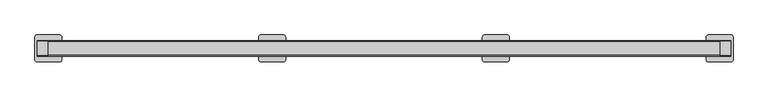
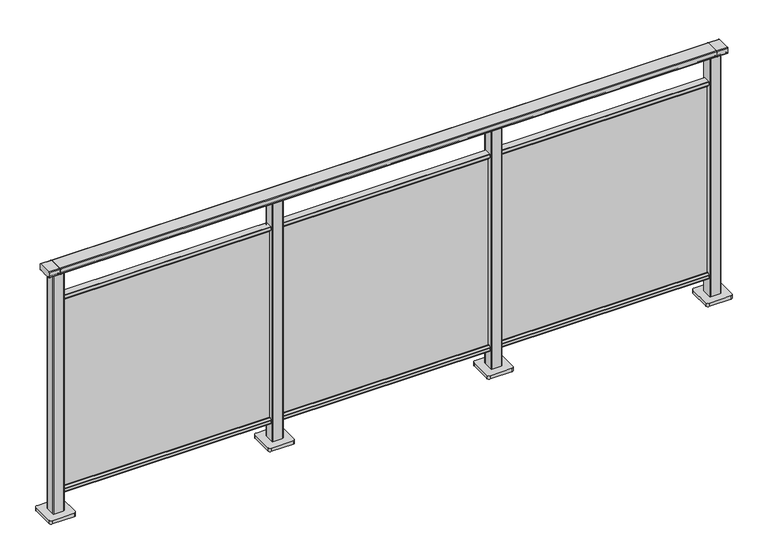
"""IFC4 building model written with IfcOpenShell, lengths in millimetres: railing geometry."""

from ifc_helpers import new_model, si_unit, point, frame, frame_2d, origin, origin_with_axes, place, context, project, spatial, polyline, circle_curve, trimmed, segment, composite_curve, outline, extrude, source, transform, mapped, element, save


def railing_db009f2a(model_context):
    return source(origin(), model_context, "Body", "SweptSolid", [
        extrude(outline(composite_curve([segment(trimmed(circle_curve(frame_2d((9717.8460333, 1197.0)), 3.0), [point((9717.8460333, 1200.0))], [point((9720.8460333, 1197.0))], False, "CARTESIAN"), True, "CONTINUOUS"), segment(polyline([(9720.8460333, 1197.0), (9720.8460333, 1174.8)]), True, "CONTINUOUS"), segment(trimmed(circle_curve(frame_2d((9717.8460333, 1174.8)), 3.0), [point((9720.8460333, 1174.8))], [point((9717.8460333, 1171.8))], False, "CARTESIAN"), True, "CONTINUOUS"), segment(polyline([(9717.8460333, 1171.8), (9712.9961193, 1171.8)]), True, "CONTINUOUS"), segment(trimmed(circle_curve(frame_2d((9712.9961193, 1172.7286632)), 0.9286632), [point((9712.9961193, 1171.8))], [point((9712.0960471, 1172.5000033))], False, "CARTESIAN"), True, "CONTINUOUS"), segment(trimmed(circle_curve(frame_2d((9711.5960471, 1172.5000003)), 0.5), [point((9712.0960471, 1172.5000033))], [point((9711.5960471, 1172.0000003))], False, "CARTESIAN"), True, "CONTINUOUS"), segment(polyline([(9711.5960471, 1172.0000003), (9694.5751393, 1172.0000003)]), True, "CONTINUOUS"), segment(trimmed(circle_curve(frame_2d((9685.8508208, 1188.8785723)), 18.999998), [point((9694.5751393, 1172.0000003))], [point((9677.1265024, 1172.0000003))], False, "CARTESIAN"), True, "CONTINUOUS"), segment(polyline([(9677.1265024, 1172.0000003), (9660.0960436, 1172.0000003)]), True, "CONTINUOUS"), segment(trimmed(circle_curve(frame_2d((9660.0960436, 1172.5000003)), 0.5), [point((9660.0960436, 1172.0000003))], [point((9659.5960436, 1172.5000033))], False, "CARTESIAN"), True, "CONTINUOUS"), segment(trimmed(circle_curve(frame_2d((9658.6961402, 1172.7284461)), 0.9284461), [point((9659.5960436, 1172.5000033))], [point((9658.6961402, 1171.8))], False, "CARTESIAN"), True, "CONTINUOUS"), segment(polyline([(9658.6961402, 1171.8), (9653.8460333, 1171.8)]), True, "CONTINUOUS"), segment(trimmed(circle_curve(frame_2d((9653.8460333, 1174.8)), 3.0), [point((9653.8460333, 1171.8))], [point((9650.8460333, 1174.8))], False, "CARTESIAN"), True, "CONTINUOUS"), segment(polyline([(9650.8460333, 1174.8), (9650.8460333, 1197.0)]), True, "CONTINUOUS"), segment(trimmed(circle_curve(frame_2d((9653.8460333, 1197.0)), 3.0), [point((9650.8460333, 1197.0))], [point((9653.8460333, 1200.0))], False, "CARTESIAN"), True, "CONTINUOUS"), segment(polyline([(9653.8460333, 1200.0), (9717.8460333, 1200.0)]), True, "CONTINUOUS")], self_intersect=False)), frame((-408.6053075, 0.0, 0.0), z_axis=(1.0, 0.0, 0.0), x_axis=(0.0, 1.0, 0.0)), (0.0, 0.0, 1.0), 3000.0),
        extrude(outline(composite_curve([segment(polyline([(9701.5508136, 100.0), (9670.1507946, 100.0)]), True, "CONTINUOUS"), segment(trimmed(circle_curve(frame_2d((9670.1507946, 101.8)), 1.8), [point((9670.1507946, 100.0))], [point((9668.3507946, 101.8))], False, "CARTESIAN"), True, "CONTINUOUS"), segment(polyline([(9668.3507946, 101.8), (9668.3507946, 115.5269955)]), True, "CONTINUOUS"), segment(trimmed(circle_curve(frame_2d((9670.1507946, 115.5269955)), 1.8), [point((9668.3507946, 115.5269955))], [point((9668.7923399, 116.7079277))], False, "CARTESIAN"), True, "CONTINUOUS"), segment(polyline([(9668.7923399, 116.7079277), (9675.4626384, 124.3809322)]), True, "CONTINUOUS"), segment(trimmed(circle_curve(frame_2d((9676.8210931, 123.2)), 1.8), [point((9675.4626384, 124.3809322))], [point((9676.8210931, 125.0))], False, "CARTESIAN"), True, "CONTINUOUS"), segment(polyline([(9676.8210931, 125.0), (9680.5111113, 125.0), (9681.809143, 113.0), (9689.8924411, 113.0), (9691.1904978, 125.0), (9694.88054, 125.0)]), True, "CONTINUOUS"), segment(trimmed(circle_curve(frame_2d((9694.88054, 123.2)), 1.8), [point((9694.88054, 125.0))], [point((9696.2389969, 124.3809297))], False, "CARTESIAN"), True, "CONTINUOUS"), segment(polyline([(9696.2389969, 124.3809297), (9702.9092704, 116.7079252)]), True, "CONTINUOUS"), segment(trimmed(circle_curve(frame_2d((9701.5508136, 115.5269955)), 1.8), [point((9702.9092704, 116.7079252))], [point((9703.3508136, 115.5269955))], False, "CARTESIAN"), True, "CONTINUOUS"), segment(polyline([(9703.3508136, 115.5269955), (9703.3508136, 101.8)]), True, "CONTINUOUS"), segment(trimmed(circle_curve(frame_2d((9701.5508136, 101.8)), 1.8), [point((9703.3508136, 101.8))], [point((9701.5508136, 100.0))], False, "CARTESIAN"), True, "CONTINUOUS")], self_intersect=False)), frame((-408.6053075, 0.0, 0.0), z_axis=(1.0, 0.0, 0.0), x_axis=(0.0, 1.0, 0.0)), (0.0, 0.0, 1.0), 3000.0),
        extrude(outline(composite_curve([segment(polyline([(9670.1507946, 1050.0), (9701.5508136, 1050.0)]), True, "CONTINUOUS"), segment(trimmed(circle_curve(frame_2d((9701.5508136, 1048.2)), 1.8), [point((9701.5508136, 1050.0))], [point((9703.3508136, 1048.2))], False, "CARTESIAN"), True, "CONTINUOUS"), segment(polyline([(9703.3508136, 1048.2), (9703.3508136, 1034.4730045)]), True, "CONTINUOUS"), segment(trimmed(circle_curve(frame_2d((9701.5508136, 1034.4730045)), 1.8), [point((9703.3508136, 1034.4730045))], [point((9702.9092704, 1033.2920748))], False, "CARTESIAN"), True, "CONTINUOUS"), segment(polyline([(9702.9092704, 1033.2920748), (9696.2389969, 1025.6190703)]), True, "CONTINUOUS"), segment(trimmed(circle_curve(frame_2d((9694.88054, 1026.8)), 1.8), [point((9696.2389969, 1025.6190703))], [point((9694.88054, 1025.0))], False, "CARTESIAN"), True, "CONTINUOUS"), segment(polyline([(9694.88054, 1025.0), (9691.1904978, 1025.0), (9689.8924411, 1037.0), (9681.809143, 1037.0), (9680.5111113, 1025.0), (9676.8210931, 1025.0)]), True, "CONTINUOUS"), segment(trimmed(circle_curve(frame_2d((9676.8210931, 1026.8)), 1.8), [point((9676.8210931, 1025.0))], [point((9675.4626384, 1025.6190678))], False, "CARTESIAN"), True, "CONTINUOUS"), segment(polyline([(9675.4626384, 1025.6190678), (9668.7923399, 1033.2920723)]), True, "CONTINUOUS"), segment(trimmed(circle_curve(frame_2d((9670.1507946, 1034.4730045)), 1.8), [point((9668.7923399, 1033.2920723))], [point((9668.3507946, 1034.4730045))], False, "CARTESIAN"), True, "CONTINUOUS"), segment(polyline([(9668.3507946, 1034.4730045), (9668.3507946, 1048.2)]), True, "CONTINUOUS"), segment(trimmed(circle_curve(frame_2d((9670.1507946, 1048.2)), 1.8), [point((9668.3507946, 1048.2))], [point((9670.1507946, 1050.0))], False, "CARTESIAN"), True, "CONTINUOUS")], self_intersect=False)), frame((-408.6053075, 0.0, 0.0), z_axis=(1.0, 0.0, 0.0), x_axis=(0.0, 1.0, 0.0)), (0.0, 0.0, 1.0), 3000.0),
        extrude(outline(polyline([(-408.6053075, 9683.8508041), (-408.6053075, 9687.8508041), (2591.3946925, 9687.8508041), (2591.3946925, 9683.8508041), (-408.6053075, 9683.8508041)])), frame((0.0, 0.0, 100.0), z_axis=(0.0, 0.0, 1.0), x_axis=(1.0, 0.0, 0.0)), (0.0, 0.0, 1.0), 940.0),
        extrude(outline(composite_curve([segment(trimmed(circle_curve(frame_2d((1568.994681, 9708.2508266)), 3.0), [point((1565.994681, 9708.2508266))], [point((1568.994681, 9711.2508266))], False, "CARTESIAN"), True, "CONTINUOUS"), segment(polyline([(1568.994681, 9711.2508266), (1613.794704, 9711.2508266)]), True, "CONTINUOUS"), segment(trimmed(circle_curve(frame_2d((1613.794704, 9708.2508266)), 3.0), [point((1613.794704, 9711.2508266))], [point((1616.794704, 9708.2508266))], False, "CARTESIAN"), True, "CONTINUOUS"), segment(polyline([(1616.794704, 9708.2508266), (1616.794704, 9663.4508036)]), True, "CONTINUOUS"), segment(trimmed(circle_curve(frame_2d((1613.794704, 9663.4508036)), 3.0), [point((1616.794704, 9663.4508036))], [point((1613.794704, 9660.4508036))], False, "CARTESIAN"), True, "CONTINUOUS"), segment(polyline([(1613.794704, 9660.4508036), (1568.994681, 9660.4508036)]), True, "CONTINUOUS"), segment(trimmed(circle_curve(frame_2d((1568.994681, 9663.4508036)), 3.0), [point((1568.994681, 9660.4508036))], [point((1565.994681, 9663.4508036))], False, "CARTESIAN"), True, "CONTINUOUS"), segment(polyline([(1565.994681, 9663.4508036), (1565.994681, 9708.2508266)]), True, "CONTINUOUS")], self_intersect=False)), frame((0.0, 0.0, 16.0), z_axis=(0.0, 0.0, 1.0), x_axis=(1.0, 0.0, 0.0)), (0.0, 0.0, 1.0), 1153.8785743),
        extrude(outline(composite_curve([segment(trimmed(circle_curve(frame_2d((1541.394681, 9735.8508151)), 10.0), [point((1531.394681, 9735.8508151))], [point((1541.394681, 9745.8508151))], False, "CARTESIAN"), True, "CONTINUOUS"), segment(polyline([(1541.394681, 9745.8508151), (1641.394681, 9745.8508151)]), True, "CONTINUOUS"), segment(trimmed(circle_curve(frame_2d((1641.394681, 9735.8508151)), 10.0), [point((1641.394681, 9745.8508151))], [point((1651.394681, 9735.8508151))], False, "CARTESIAN"), True, "CONTINUOUS"), segment(polyline([(1651.394681, 9735.8508151), (1651.394681, 9635.8508151)]), True, "CONTINUOUS"), segment(trimmed(circle_curve(frame_2d((1641.394681, 9635.8508151)), 10.0), [point((1651.394681, 9635.8508151))], [point((1641.394681, 9625.8508151))], False, "CARTESIAN"), True, "CONTINUOUS"), segment(polyline([(1641.394681, 9625.8508151), (1541.394681, 9625.8508151)]), True, "CONTINUOUS"), segment(trimmed(circle_curve(frame_2d((1541.394681, 9635.8508151)), 10.0), [point((1541.394681, 9625.8508151))], [point((1531.394681, 9635.8508151))], False, "CARTESIAN"), True, "CONTINUOUS"), segment(polyline([(1531.394681, 9635.8508151), (1531.394681, 9735.8508151)]), True, "CONTINUOUS")], self_intersect=False)), origin_with_axes(), (0.0, 0.0, 1.0), 16.0),
        extrude(outline(composite_curve([segment(trimmed(circle_curve(frame_2d((568.994681, 9708.2508266)), 3.0), [point((565.994681, 9708.2508266))], [point((568.994681, 9711.2508266))], False, "CARTESIAN"), True, "CONTINUOUS"), segment(polyline([(568.994681, 9711.2508266), (613.794704, 9711.2508266)]), True, "CONTINUOUS"), segment(trimmed(circle_curve(frame_2d((613.794704, 9708.2508266)), 3.0), [point((613.794704, 9711.2508266))], [point((616.794704, 9708.2508266))], False, "CARTESIAN"), True, "CONTINUOUS"), segment(polyline([(616.794704, 9708.2508266), (616.794704, 9663.4508036)]), True, "CONTINUOUS"), segment(trimmed(circle_curve(frame_2d((613.794704, 9663.4508036)), 3.0), [point((616.794704, 9663.4508036))], [point((613.794704, 9660.4508036))], False, "CARTESIAN"), True, "CONTINUOUS"), segment(polyline([(613.794704, 9660.4508036), (568.994681, 9660.4508036)]), True, "CONTINUOUS"), segment(trimmed(circle_curve(frame_2d((568.994681, 9663.4508036)), 3.0), [point((568.994681, 9660.4508036))], [point((565.994681, 9663.4508036))], False, "CARTESIAN"), True, "CONTINUOUS"), segment(polyline([(565.994681, 9663.4508036), (565.994681, 9708.2508266)]), True, "CONTINUOUS")], self_intersect=False)), frame((0.0, 0.0, 16.0), z_axis=(0.0, 0.0, 1.0), x_axis=(1.0, 0.0, 0.0)), (0.0, 0.0, 1.0), 1153.8785743),
        extrude(outline(composite_curve([segment(trimmed(circle_curve(frame_2d((541.394681, 9735.8508151)), 10.0), [point((531.394681, 9735.8508151))], [point((541.394681, 9745.8508151))], False, "CARTESIAN"), True, "CONTINUOUS"), segment(polyline([(541.394681, 9745.8508151), (641.394681, 9745.8508151)]), True, "CONTINUOUS"), segment(trimmed(circle_curve(frame_2d((641.394681, 9735.8508151)), 10.0), [point((641.394681, 9745.8508151))], [point((651.394681, 9735.8508151))], False, "CARTESIAN"), True, "CONTINUOUS"), segment(polyline([(651.394681, 9735.8508151), (651.394681, 9635.8508151)]), True, "CONTINUOUS"), segment(trimmed(circle_curve(frame_2d((641.394681, 9635.8508151)), 10.0), [point((651.394681, 9635.8508151))], [point((641.394681, 9625.8508151))], False, "CARTESIAN"), True, "CONTINUOUS"), segment(polyline([(641.394681, 9625.8508151), (541.394681, 9625.8508151)]), True, "CONTINUOUS"), segment(trimmed(circle_curve(frame_2d((541.394681, 9635.8508151)), 10.0), [point((541.394681, 9625.8508151))], [point((531.394681, 9635.8508151))], False, "CARTESIAN"), True, "CONTINUOUS"), segment(polyline([(531.394681, 9635.8508151), (531.394681, 9735.8508151)]), True, "CONTINUOUS")], self_intersect=False)), origin_with_axes(), (0.0, 0.0, 1.0), 16.0),
        extrude(outline(composite_curve([segment(trimmed(circle_curve(frame_2d((2568.994681, 9708.2508266)), 3.0), [point((2565.994681, 9708.2508266))], [point((2568.994681, 9711.2508266))], False, "CARTESIAN"), True, "CONTINUOUS"), segment(polyline([(2568.994681, 9711.2508266), (2613.794704, 9711.2508266)]), True, "CONTINUOUS"), segment(trimmed(circle_curve(frame_2d((2613.794704, 9708.2508266)), 3.0), [point((2613.794704, 9711.2508266))], [point((2616.794704, 9708.2508266))], False, "CARTESIAN"), True, "CONTINUOUS"), segment(polyline([(2616.794704, 9708.2508266), (2616.794704, 9663.4508036)]), True, "CONTINUOUS"), segment(trimmed(circle_curve(frame_2d((2613.794704, 9663.4508036)), 3.0), [point((2616.794704, 9663.4508036))], [point((2613.794704, 9660.4508036))], False, "CARTESIAN"), True, "CONTINUOUS"), segment(polyline([(2613.794704, 9660.4508036), (2568.994681, 9660.4508036)]), True, "CONTINUOUS"), segment(trimmed(circle_curve(frame_2d((2568.994681, 9663.4508036)), 3.0), [point((2568.994681, 9660.4508036))], [point((2565.994681, 9663.4508036))], False, "CARTESIAN"), True, "CONTINUOUS"), segment(polyline([(2565.994681, 9663.4508036), (2565.994681, 9708.2508266)]), True, "CONTINUOUS")], self_intersect=False)), frame((0.0, 0.0, 16.0), z_axis=(0.0, 0.0, 1.0), x_axis=(1.0, 0.0, 0.0)), (0.0, 0.0, 1.0), 1153.8785743),
        extrude(outline(composite_curve([segment(trimmed(circle_curve(frame_2d((2541.394681, 9735.8508151)), 10.0), [point((2531.394681, 9735.8508151))], [point((2541.394681, 9745.8508151))], False, "CARTESIAN"), True, "CONTINUOUS"), segment(polyline([(2541.394681, 9745.8508151), (2641.394681, 9745.8508151)]), True, "CONTINUOUS"), segment(trimmed(circle_curve(frame_2d((2641.394681, 9735.8508151)), 10.0), [point((2641.394681, 9745.8508151))], [point((2651.394681, 9735.8508151))], False, "CARTESIAN"), True, "CONTINUOUS"), segment(polyline([(2651.394681, 9735.8508151), (2651.394681, 9635.8508151)]), True, "CONTINUOUS"), segment(trimmed(circle_curve(frame_2d((2641.394681, 9635.8508151)), 10.0), [point((2651.394681, 9635.8508151))], [point((2641.394681, 9625.8508151))], False, "CARTESIAN"), True, "CONTINUOUS"), segment(polyline([(2641.394681, 9625.8508151), (2541.394681, 9625.8508151)]), True, "CONTINUOUS"), segment(trimmed(circle_curve(frame_2d((2541.394681, 9635.8508151)), 10.0), [point((2541.394681, 9625.8508151))], [point((2531.394681, 9635.8508151))], False, "CARTESIAN"), True, "CONTINUOUS"), segment(polyline([(2531.394681, 9635.8508151), (2531.394681, 9735.8508151)]), True, "CONTINUOUS")], self_intersect=False)), origin_with_axes(), (0.0, 0.0, 1.0), 16.0),
        extrude(outline(composite_curve([segment(trimmed(circle_curve(frame_2d((9717.8460333, 1197.0)), 3.0), [point((9717.8460333, 1200.0))], [point((9720.8460333, 1197.0))], False, "CARTESIAN"), True, "CONTINUOUS"), segment(polyline([(9720.8460333, 1197.0), (9720.8460333, 1174.8)]), True, "CONTINUOUS"), segment(trimmed(circle_curve(frame_2d((9717.8460333, 1174.8)), 3.0), [point((9720.8460333, 1174.8))], [point((9717.8460333, 1171.8))], False, "CARTESIAN"), True, "CONTINUOUS"), segment(polyline([(9717.8460333, 1171.8), (9712.9961193, 1171.8)]), True, "CONTINUOUS"), segment(trimmed(circle_curve(frame_2d((9712.9961193, 1172.7286632)), 0.9286632), [point((9712.9961193, 1171.8))], [point((9712.0960471, 1172.5000033))], False, "CARTESIAN"), True, "CONTINUOUS"), segment(trimmed(circle_curve(frame_2d((9711.5960471, 1172.5000003)), 0.5), [point((9712.0960471, 1172.5000033))], [point((9711.5960471, 1172.0000003))], False, "CARTESIAN"), True, "CONTINUOUS"), segment(polyline([(9711.5960471, 1172.0000003), (9694.5751393, 1172.0000003)]), True, "CONTINUOUS"), segment(trimmed(circle_curve(frame_2d((9685.8508208, 1188.8785723)), 18.999998), [point((9694.5751393, 1172.0000003))], [point((9677.1265024, 1172.0000003))], False, "CARTESIAN"), True, "CONTINUOUS"), segment(polyline([(9677.1265024, 1172.0000003), (9660.0960436, 1172.0000003)]), True, "CONTINUOUS"), segment(trimmed(circle_curve(frame_2d((9660.0960436, 1172.5000003)), 0.5), [point((9660.0960436, 1172.0000003))], [point((9659.5960436, 1172.5000033))], False, "CARTESIAN"), True, "CONTINUOUS"), segment(trimmed(circle_curve(frame_2d((9658.6961402, 1172.7284461)), 0.9284461), [point((9659.5960436, 1172.5000033))], [point((9658.6961402, 1171.8))], False, "CARTESIAN"), True, "CONTINUOUS"), segment(polyline([(9658.6961402, 1171.8), (9653.8460333, 1171.8)]), True, "CONTINUOUS"), segment(trimmed(circle_curve(frame_2d((9653.8460333, 1174.8)), 3.0), [point((9653.8460333, 1171.8))], [point((9650.8460333, 1174.8))], False, "CARTESIAN"), True, "CONTINUOUS"), segment(polyline([(9650.8460333, 1174.8), (9650.8460333, 1197.0)]), True, "CONTINUOUS"), segment(trimmed(circle_curve(frame_2d((9653.8460333, 1197.0)), 3.0), [point((9650.8460333, 1197.0))], [point((9653.8460333, 1200.0))], False, "CARTESIAN"), True, "CONTINUOUS"), segment(polyline([(9653.8460333, 1200.0), (9717.8460333, 1200.0)]), True, "CONTINUOUS")], self_intersect=False)), frame((2591.3946925, 0.0, 0.0), z_axis=(1.0, 0.0, 0.0), x_axis=(0.0, 1.0, 0.0)), (0.0, 0.0, 1.0), 50.0),
        extrude(outline(composite_curve([segment(trimmed(circle_curve(frame_2d((-431.005319, 9708.2508266)), 3.0), [point((-434.005319, 9708.2508266))], [point((-431.005319, 9711.2508266))], False, "CARTESIAN"), True, "CONTINUOUS"), segment(polyline([(-431.005319, 9711.2508266), (-386.205296, 9711.2508266)]), True, "CONTINUOUS"), segment(trimmed(circle_curve(frame_2d((-386.205296, 9708.2508266)), 3.0), [point((-386.205296, 9711.2508266))], [point((-383.205296, 9708.2508266))], False, "CARTESIAN"), True, "CONTINUOUS"), segment(polyline([(-383.205296, 9708.2508266), (-383.205296, 9663.4508036)]), True, "CONTINUOUS"), segment(trimmed(circle_curve(frame_2d((-386.205296, 9663.4508036)), 3.0), [point((-383.205296, 9663.4508036))], [point((-386.205296, 9660.4508036))], False, "CARTESIAN"), True, "CONTINUOUS"), segment(polyline([(-386.205296, 9660.4508036), (-431.005319, 9660.4508036)]), True, "CONTINUOUS"), segment(trimmed(circle_curve(frame_2d((-431.005319, 9663.4508036)), 3.0), [point((-431.005319, 9660.4508036))], [point((-434.005319, 9663.4508036))], False, "CARTESIAN"), True, "CONTINUOUS"), segment(polyline([(-434.005319, 9663.4508036), (-434.005319, 9708.2508266)]), True, "CONTINUOUS")], self_intersect=False)), frame((0.0, 0.0, 16.0), z_axis=(0.0, 0.0, 1.0), x_axis=(1.0, 0.0, 0.0)), (0.0, 0.0, 1.0), 1153.8785743),
        extrude(outline(composite_curve([segment(trimmed(circle_curve(frame_2d((-458.605319, 9735.8508151)), 10.0), [point((-468.605319, 9735.8508151))], [point((-458.605319, 9745.8508151))], False, "CARTESIAN"), True, "CONTINUOUS"), segment(polyline([(-458.605319, 9745.8508151), (-358.605319, 9745.8508151)]), True, "CONTINUOUS"), segment(trimmed(circle_curve(frame_2d((-358.605319, 9735.8508151)), 10.0), [point((-358.605319, 9745.8508151))], [point((-348.605319, 9735.8508151))], False, "CARTESIAN"), True, "CONTINUOUS"), segment(polyline([(-348.605319, 9735.8508151), (-348.605319, 9635.8508151)]), True, "CONTINUOUS"), segment(trimmed(circle_curve(frame_2d((-358.605319, 9635.8508151)), 10.0), [point((-348.605319, 9635.8508151))], [point((-358.605319, 9625.8508151))], False, "CARTESIAN"), True, "CONTINUOUS"), segment(polyline([(-358.605319, 9625.8508151), (-458.605319, 9625.8508151)]), True, "CONTINUOUS"), segment(trimmed(circle_curve(frame_2d((-458.605319, 9635.8508151)), 10.0), [point((-458.605319, 9625.8508151))], [point((-468.605319, 9635.8508151))], False, "CARTESIAN"), True, "CONTINUOUS"), segment(polyline([(-468.605319, 9635.8508151), (-468.605319, 9735.8508151)]), True, "CONTINUOUS")], self_intersect=False)), origin_with_axes(), (0.0, 0.0, 1.0), 16.0),
        extrude(outline(composite_curve([segment(trimmed(circle_curve(frame_2d((9717.8460333, 1197.0)), 3.0), [point((9717.8460333, 1200.0))], [point((9720.8460333, 1197.0))], False, "CARTESIAN"), True, "CONTINUOUS"), segment(polyline([(9720.8460333, 1197.0), (9720.8460333, 1174.8)]), True, "CONTINUOUS"), segment(trimmed(circle_curve(frame_2d((9717.8460333, 1174.8)), 3.0), [point((9720.8460333, 1174.8))], [point((9717.8460333, 1171.8))], False, "CARTESIAN"), True, "CONTINUOUS"), segment(polyline([(9717.8460333, 1171.8), (9712.9961193, 1171.8)]), True, "CONTINUOUS"), segment(trimmed(circle_curve(frame_2d((9712.9961193, 1172.7286632)), 0.9286632), [point((9712.9961193, 1171.8))], [point((9712.0960471, 1172.5000033))], False, "CARTESIAN"), True, "CONTINUOUS"), segment(trimmed(circle_curve(frame_2d((9711.5960471, 1172.5000003)), 0.5), [point((9712.0960471, 1172.5000033))], [point((9711.5960471, 1172.0000003))], False, "CARTESIAN"), True, "CONTINUOUS"), segment(polyline([(9711.5960471, 1172.0000003), (9694.5751393, 1172.0000003)]), True, "CONTINUOUS"), segment(trimmed(circle_curve(frame_2d((9685.8508208, 1188.8785723)), 18.999998), [point((9694.5751393, 1172.0000003))], [point((9677.1265024, 1172.0000003))], False, "CARTESIAN"), True, "CONTINUOUS"), segment(polyline([(9677.1265024, 1172.0000003), (9660.0960436, 1172.0000003)]), True, "CONTINUOUS"), segment(trimmed(circle_curve(frame_2d((9660.0960436, 1172.5000003)), 0.5), [point((9660.0960436, 1172.0000003))], [point((9659.5960436, 1172.5000033))], False, "CARTESIAN"), True, "CONTINUOUS"), segment(trimmed(circle_curve(frame_2d((9658.6961402, 1172.7284461)), 0.9284461), [point((9659.5960436, 1172.5000033))], [point((9658.6961402, 1171.8))], False, "CARTESIAN"), True, "CONTINUOUS"), segment(polyline([(9658.6961402, 1171.8), (9653.8460333, 1171.8)]), True, "CONTINUOUS"), segment(trimmed(circle_curve(frame_2d((9653.8460333, 1174.8)), 3.0), [point((9653.8460333, 1171.8))], [point((9650.8460333, 1174.8))], False, "CARTESIAN"), True, "CONTINUOUS"), segment(polyline([(9650.8460333, 1174.8), (9650.8460333, 1197.0)]), True, "CONTINUOUS"), segment(trimmed(circle_curve(frame_2d((9653.8460333, 1197.0)), 3.0), [point((9650.8460333, 1197.0))], [point((9653.8460333, 1200.0))], False, "CARTESIAN"), True, "CONTINUOUS"), segment(polyline([(9653.8460333, 1200.0), (9717.8460333, 1200.0)]), True, "CONTINUOUS")], self_intersect=False)), frame((-458.6053075, 0.0, 0.0), z_axis=(1.0, 0.0, 0.0), x_axis=(0.0, 1.0, 0.0)), (0.0, 0.0, 1.0), 50.0),
    ])


if __name__ == "__main__":
    model = new_model("IFC4")
    model_context = context("Model", 3, world=origin())
    ifc_project = project(units=[si_unit("LENGTHUNIT", "METRE", prefix="MILLI")], contexts=[model_context])
    site = spatial("IfcSite", under=ifc_project)
    building = spatial("IfcBuilding", under=site)
    placement = place(None, origin())
    railing_shape = railing_db009f2a(model_context)
    element("IfcRailing", 1, at=placement, inside=building, context=model_context, shape_type="MappedRepresentation", body=[
        mapped(railing_shape, transform((0.0, 0.0, 0.0), x_axis=(1.0, 0.0, 0.0), y_axis=(0.0, 1.0, 0.0), z_axis=(0.0, 0.0, 1.0))),
    ])
    save(model, "model.ifc")
